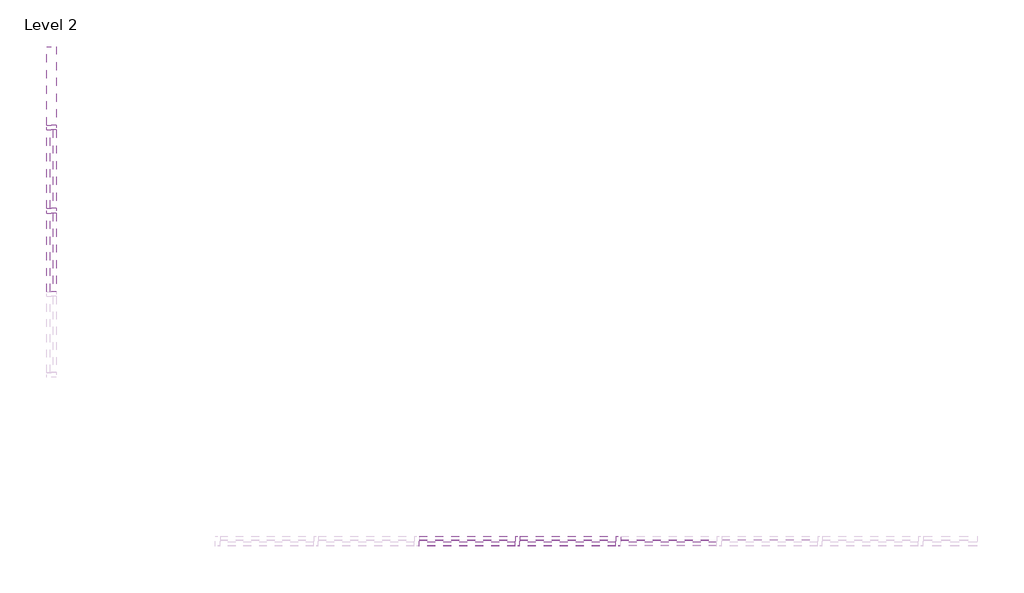
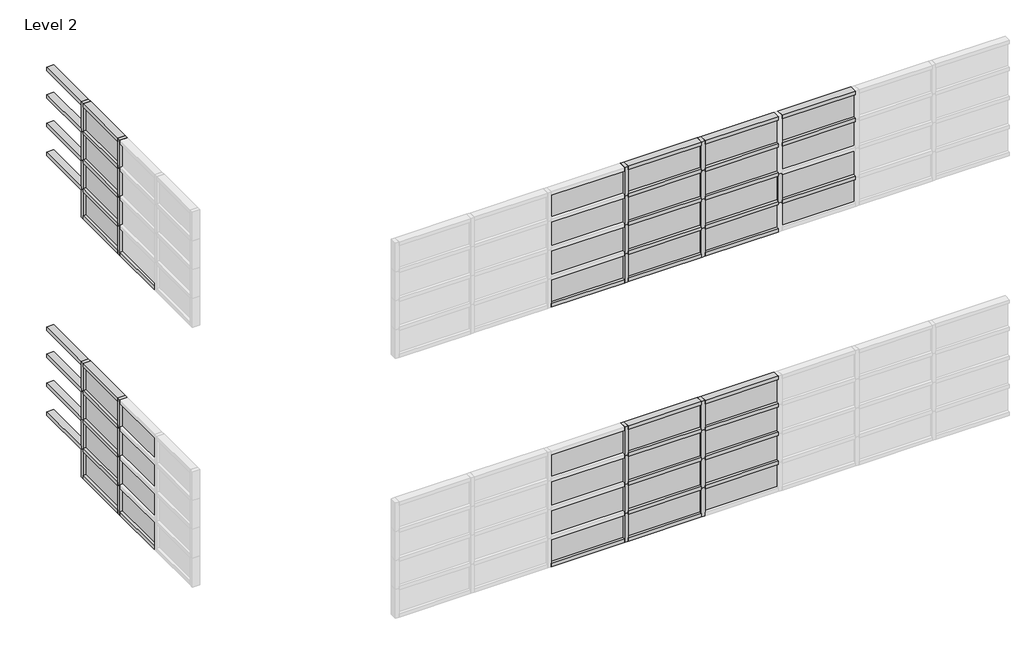
# One storey, part 2 of 6: 77 members, 40 plates.
"""IFC4 building model written with IfcOpenShell, lengths in millimetres."""

import ifcopenshell
import ifcopenshell.guid

model = None  # the IFC model being written
_history = None  # IfcOwnerHistory: only IFC2X3 demands one
_inside = {}  # id of a spatial element -> (the spatial element, [elements in it])
_under = {}  # id of a project, library or spatial element -> (it, [spatial elements below it])
_declared = {}  # id of a project -> (the project, [libraries it declares])
_typed = {}  # id of a type object -> (the type object, [elements of that type])
_made_of = {}  # id of a material, layer set ... -> (it, [elements and type objects made of it])


def new_model(schema):
    """Start an empty IFC model of exactly this schema.

    Asked for "IFC4X3", IfcOpenShell would pick the latest addendum, in which some entities
    have other attributes; the version numbers below select the first issue.
    IFC2X3 requires an IfcOwnerHistory on every rooted entity: one is made here for all.
    """
    global model, _history
    if schema == "IFC4X3":
        model = ifcopenshell.file(schema_version=(4, 3, 0, 0))
    else:
        model = ifcopenshell.file(schema=schema)
    _inside.clear()
    _under.clear()
    _declared.clear()
    _typed.clear()
    _made_of.clear()
    _history = None
    if model.schema == "IFC2X3":
        org = make("IfcOrganization", Name="unknown")
        user = make(
            "IfcPersonAndOrganization",
            ThePerson=make("IfcPerson", FamilyName="unknown"),
            TheOrganization=org,
        )
        app = make(
            "IfcApplication",
            ApplicationDeveloper=org,
            Version="unknown",
            ApplicationFullName="unknown",
            ApplicationIdentifier="unknown",
        )
        _history = make(
            "IfcOwnerHistory",
            OwningUser=user,
            OwningApplication=app,
            ChangeAction="ADDED",
            CreationDate=0,
        )
    return model


def make(cls, **values):
    """One entity of the class cls with the attributes given. An attribute that is None is left unset."""
    return model.create_entity(
        cls, **{name: value for name, value in values.items() if value is not None}
    )


def rooted(cls, **values):
    """An entity with a GlobalId (a new one), such as an element, a storey or a relation."""
    return make(cls, GlobalId=ifcopenshell.guid.new(), OwnerHistory=_history, **values)


def si_unit(unit_type, name, prefix=None):
    """IfcSIUnit, for example si_unit("LENGTHUNIT", "METRE", prefix="MILLI")."""
    return make("IfcSIUnit", UnitType=unit_type, Prefix=prefix, Name=name)


def assignment(units):
    """IfcUnitAssignment: the units of a project."""
    return None if units is None else make("IfcUnitAssignment", Units=units)


def point(xyz):
    """IfcCartesianPoint."""
    return None if xyz is None else make("IfcCartesianPoint", Coordinates=xyz)


def direction(xyz):
    """IfcDirection."""
    return None if xyz is None else make("IfcDirection", DirectionRatios=xyz)


def frame(location, z_axis=None, x_axis=None):
    """IfcAxis2Placement3D, a coordinate frame: its origin and axes. An axis left out is left unset."""
    return make(
        "IfcAxis2Placement3D",
        Location=point(location),
        Axis=direction(z_axis),
        RefDirection=direction(x_axis),
    )


def origin():
    """The frame at (0, 0, 0) with its axes left unset."""
    return frame((0.0, 0.0, 0.0))


def origin_with_axes():
    """The frame at (0, 0, 0) with the z axis (0, 0, 1) and the x axis (1, 0, 0) written out."""
    return frame((0.0, 0.0, 0.0), z_axis=(0.0, 0.0, 1.0), x_axis=(1.0, 0.0, 0.0))


def place(relative_to, where):
    """IfcLocalPlacement: puts the frame where relative to a parent placement (None: the world)."""
    return make(
        "IfcLocalPlacement", PlacementRelTo=relative_to, RelativePlacement=where
    )


def context(
    kind, dimensions, precision=None, world=None, true_north=None, identifier=None
):
    """IfcGeometricRepresentationContext, for example the 3D "Model" context."""
    return make(
        "IfcGeometricRepresentationContext",
        ContextIdentifier=identifier,
        ContextType=kind,
        CoordinateSpaceDimension=dimensions,
        Precision=precision,
        WorldCoordinateSystem=world,
        TrueNorth=true_north,
    )


def project(units=None, contexts=None):
    """IfcProject with its units and contexts."""
    return rooted(
        "IfcProject",
        Name="project",
        RepresentationContexts=contexts,
        UnitsInContext=assignment(units),
    )


def spatial(cls, under=None, at=None, **own):
    """A site, building, storey or space (cls), placed at a placement, below another one or the project."""
    s = rooted(cls, ObjectPlacement=at, **own)
    if under is not None:
        _under.setdefault(under.id(), (under, []))[1].append(s)
    return s


def polyline(points):
    """IfcPolyline through the points."""
    return make("IfcPolyline", Points=[point(p) for p in points])


def outline(outer, holes=None, kind="AREA"):
    """IfcArbitraryClosedProfileDef: a profile drawn as a closed curve; with holes, ...WithVoids."""
    if holes is None:
        return make("IfcArbitraryClosedProfileDef", ProfileType=kind, OuterCurve=outer)
    return make(
        "IfcArbitraryProfileDefWithVoids",
        ProfileType=kind,
        OuterCurve=outer,
        InnerCurves=holes,
    )


def extrude(swept, where, along, depth):
    """IfcExtrudedAreaSolid: the profile swept, set in the frame where, extruded along a direction by depth."""
    return make(
        "IfcExtrudedAreaSolid",
        SweptArea=swept,
        Position=where,
        ExtrudedDirection=direction(along),
        Depth=depth,
    )


def shape(context_of_items, identifier, shape_type, items):
    """IfcShapeRepresentation: the items that make up one representation, for example the "Body"."""
    return make(
        "IfcShapeRepresentation",
        ContextOfItems=context_of_items,
        RepresentationIdentifier=identifier,
        RepresentationType=shape_type,
        Items=items,
    )


def source(mapping_origin, context_of_items, identifier, shape_type, items):
    """IfcRepresentationMap: a shape defined once, which mapped items show again and again."""
    return make(
        "IfcRepresentationMap",
        MappingOrigin=mapping_origin,
        MappedRepresentation=shape(context_of_items, identifier, shape_type, items),
    )


def transform(
    local_origin,
    x_axis=None,
    y_axis=None,
    z_axis=None,
    scale=None,
    scale2=None,
    scale3=None,
    uniform=True,
):
    """IfcCartesianTransformationOperator3D, or its non-uniform kind. x_axis, y_axis, z_axis: its Axis1, 2, 3."""
    if uniform:
        return make(
            "IfcCartesianTransformationOperator3D",
            Axis1=direction(x_axis),
            Axis2=direction(y_axis),
            LocalOrigin=point(local_origin),
            Scale=scale,
            Axis3=direction(z_axis),
        )
    return make(
        "IfcCartesianTransformationOperator3DnonUniform",
        Axis1=direction(x_axis),
        Axis2=direction(y_axis),
        LocalOrigin=point(local_origin),
        Scale=scale,
        Axis3=direction(z_axis),
        Scale2=scale2,
        Scale3=scale3,
    )


def mapped(mapping_source, mapping_target):
    """IfcMappedItem: shows the shape of a source again, moved by a transform."""
    return make(
        "IfcMappedItem", MappingSource=mapping_source, MappingTarget=mapping_target
    )


def made_of(thing, what):
    """Note that an element or type object is made of a material, layer set ...; save() writes the relation."""
    if what is not None:
        _made_of.setdefault(what.id(), (what, []))[1].append(thing)
    return thing


def element(
    cls,
    number,
    at=None,
    inside=None,
    cuts=None,
    type_object=None,
    material=None,
    context=None,
    identifier="Body",
    shape_type=None,
    held_by="IfcProductDefinitionShape",
    body=None,
    shapes=None,
    **own,
):
    """One element of the class cls, such as IfcWall. Its Tag is "e" and its number.

    at: its placement. inside: the storey or other place that contains it. cuts: it is an
    opening in that element (IfcRelVoidsElement). A single representation is given by context,
    identifier, shape_type and body (its items); several are given by shapes. held_by: the class
    of the entity that holds the representations. save() writes the other relations.
    """
    e = rooted(cls, Tag="e%d" % number, ObjectPlacement=at, **own)
    if body is not None:
        shapes = [shape(context, identifier, shape_type, body)]
    if shapes is not None:
        e.Representation = make(held_by, Representations=shapes)
    if inside is not None:
        _inside.setdefault(inside.id(), (inside, []))[1].append(e)
    if cuts is not None:
        rooted(
            "IfcRelVoidsElement", RelatingBuildingElement=cuts, RelatedOpeningElement=e
        )
    if type_object is not None:
        _typed.setdefault(type_object.id(), (type_object, []))[1].append(e)
    return made_of(e, material)


def aggregate(whole, parts):
    """IfcRelAggregates: a whole, such as a stair, and the parts it consists of."""
    return rooted("IfcRelAggregates", RelatingObject=whole, RelatedObjects=parts)


def save(model, path):
    """Write the relations noted so far, then the file.

    IfcRelAggregates (storeys below a building ...), IfcRelContainedInSpatialStructure (elements
    in a storey), IfcRelDefinesByType, IfcRelAssociatesMaterial and IfcRelDeclares: one each for
    every whole, place, type object, material and project.
    """
    for whole, parts in _under.values():
        aggregate(whole, parts)
    for where, things in _inside.values():
        rooted(
            "IfcRelContainedInSpatialStructure",
            RelatedElements=things,
            RelatingStructure=where,
        )
    for kind, things in _typed.values():
        rooted("IfcRelDefinesByType", RelatedObjects=things, RelatingType=kind)
    for what, things in _made_of.values():
        rooted("IfcRelAssociatesMaterial", RelatedObjects=things, RelatingMaterial=what)
    for by, libraries in _declared.values():
        rooted("IfcRelDeclares", RelatingContext=by, RelatedDefinitions=libraries)
    model.write(path)


def rechteckiger_pfosten_6_x_12_57ab8b33(model_context):
    return source(origin(), model_context, "Body", "SweptSolid", [
        extrude(outline(polyline([(30.0, 60.0), (30.0, -60.0), (-30.0, -60.0), (-30.0, 60.0), (30.0, 60.0)])), frame((0.0, 0.0, -1200.625), z_axis=(0.0, 0.0, 1.0), x_axis=(1.0, 0.0, 0.0)), (0.0, 0.0, 1.0), 1200.625),
    ])


def rechteckiger_pfosten_6_x_12_1631a10d(model_context):
    return source(origin(), model_context, "Body", "SweptSolid", [
        extrude(outline(polyline([(0.0, 60.0), (0.0, -60.0), (-60.0, -60.0), (-60.0, 60.0), (0.0, 60.0)])), frame((0.0, 0.0, -1200.625), z_axis=(0.0, 0.0, 1.0), x_axis=(1.0, 0.0, 0.0)), (0.0, 0.0, 1.0), 1200.625),
    ])


def rechteckiger_pfosten_6_x_12_57de19b3(model_context):
    return source(origin(), model_context, "Body", "SweptSolid", [
        extrude(outline(polyline([(30.0, 60.0), (30.0, -60.0), (-30.0, -60.0), (-30.0, 60.0), (30.0, 60.0)])), frame((0.0, 0.0, -500.0), z_axis=(0.0, 0.0, 1.0), x_axis=(1.0, 0.0, 0.0)), (0.0, 0.0, 1.0), 500.0),
    ])


def rechteckiger_pfosten_6_x_12_e2c161d7(model_context):
    return source(origin(), model_context, "Body", "SweptSolid", [
        extrude(outline(polyline([(0.0, 60.0), (0.0, -60.0), (-60.0, -60.0), (-60.0, 60.0), (0.0, 60.0)])), frame((0.0, 0.0, -981.6674959), z_axis=(0.0, 0.0, 1.0), x_axis=(1.0, 0.0, 0.0)), (0.0, 0.0, 1.0), 981.6674959),
    ])


def rechteckiger_pfosten_6_x_12_84d72c81(model_context):
    return source(origin(), model_context, "Body", "SweptSolid", [
        extrude(outline(polyline([(30.0, 60.0), (30.0, -60.0), (-30.0, -60.0), (-30.0, 60.0), (30.0, 60.0)])), frame((0.0, 0.0, -981.6674959), z_axis=(0.0, 0.0, 1.0), x_axis=(1.0, 0.0, 0.0)), (0.0, 0.0, 1.0), 981.6674959),
    ])


def systemelement_verglasung_12eb7eeb(model_context):
    return source(origin(), model_context, "Body", "SweptSolid", [
        extrude(outline(polyline([(600.3125, -15.0), (-600.3125, -15.0), (-600.3125, 15.0), (600.3125, 15.0), (600.3125, -15.0)])), origin_with_axes(), (0.0, 0.0, 1.0), 410.0),
    ])


def systemelement_verglasung_6db45de5(model_context):
    return source(origin(), model_context, "Body", "SweptSolid", [
        extrude(outline(polyline([(600.3125, -15.0), (-600.3125, -15.0), (-600.3125, 15.0), (600.3125, 15.0), (600.3125, -15.0)])), origin_with_axes(), (0.0, 0.0, 1.0), 440.0),
    ])


def systemelement_verglasung_7b548d29(model_context):
    return source(origin(), model_context, "Body", "SweptSolid", [
        extrude(outline(polyline([(490.8337479, -15.0), (-490.8337479, -15.0), (-490.8337479, 15.0), (490.8337479, 15.0), (490.8337479, -15.0)])), origin_with_axes(), (0.0, 0.0, 1.0), 410.0),
    ])


def systemelement_verglasung_3de98bbc(model_context):
    return source(origin(), model_context, "Body", "SweptSolid", [
        extrude(outline(polyline([(490.8337479, -15.0), (-490.8337479, -15.0), (-490.8337479, 15.0), (490.8337479, 15.0), (490.8337479, -15.0)])), origin_with_axes(), (0.0, 0.0, 1.0), 440.0),
    ])


model = new_model("IFC4")

# Units and contexts
model_context = context("Model", 3, world=origin())
ifc_project = project(units=[si_unit("LENGTHUNIT", "METRE", prefix="MILLI")], contexts=[model_context])

# Site, building, storey
site = spatial("IfcSite", under=ifc_project)
building = spatial("IfcBuilding", under=site)
storey = spatial("IfcBuildingStorey", under=building, Name="Level 2", Elevation=4000.0)

# Members
placement = place(None, origin())
rechteckiger_pfosten_6_x_12_shape = rechteckiger_pfosten_6_x_12_57ab8b33(model_context)
element("IfcMember", 1, ObjectType="Rechteckiger Pfosten : 6 x 12", at=placement, inside=storey, context=model_context, shape_type="MappedRepresentation", body=[
    mapped(rechteckiger_pfosten_6_x_12_shape, transform((-15214.3937212, -5607.2112506, 11000.0), x_axis=(0.0, 0.0, 1.0), y_axis=(0.0, 1.0, 0.0), z_axis=(-1.0, 0.0, 0.0))),
])
element("IfcMember", 2, ObjectType="Rechteckiger Pfosten : 6 x 12", at=placement, inside=storey, context=model_context, shape_type="MappedRepresentation", body=[
    mapped(rechteckiger_pfosten_6_x_12_shape, transform((-12693.1437212, -5607.2112506, 11000.0), x_axis=(0.0, 0.0, 1.0), y_axis=(0.0, 1.0, 0.0), z_axis=(-1.0, 0.0, 0.0))),
])
element("IfcMember", 3, ObjectType="Rechteckiger Pfosten : 6 x 12", at=placement, inside=storey, context=model_context, shape_type="MappedRepresentation", body=[
    mapped(rechteckiger_pfosten_6_x_12_shape, transform((-13953.7687212, -5607.2112506, 11000.0), x_axis=(0.0, 0.0, 1.0), y_axis=(0.0, 1.0, 0.0), z_axis=(-1.0, 0.0, 0.0))),
])
element("IfcMember", 4, ObjectType="Rechteckiger Pfosten : 6 x 12", at=placement, inside=storey, context=model_context, shape_type="MappedRepresentation", body=[
    mapped(rechteckiger_pfosten_6_x_12_shape, transform((-13953.7687212, -5607.2112506, 11500.0), x_axis=(0.0, 0.0, 1.0), y_axis=(0.0, 1.0, 0.0), z_axis=(-1.0, 0.0, 0.0))),
])
element("IfcMember", 5, ObjectType="Rechteckiger Pfosten : 6 x 12", at=placement, inside=storey, context=model_context, shape_type="MappedRepresentation", body=[
    mapped(rechteckiger_pfosten_6_x_12_shape, transform((-15214.3937212, -5607.2112506, 12000.0), x_axis=(0.0, 0.0, 1.0), y_axis=(0.0, 1.0, 0.0), z_axis=(-1.0, 0.0, 0.0))),
])
element("IfcMember", 6, ObjectType="Rechteckiger Pfosten : 6 x 12", at=placement, inside=storey, context=model_context, shape_type="MappedRepresentation", body=[
    mapped(rechteckiger_pfosten_6_x_12_shape, transform((-12693.1437212, -5607.2112506, 12000.0), x_axis=(0.0, 0.0, 1.0), y_axis=(0.0, 1.0, 0.0), z_axis=(-1.0, 0.0, 0.0))),
])
element("IfcMember", 7, ObjectType="Rechteckiger Pfosten : 6 x 12", at=placement, inside=storey, context=model_context, shape_type="MappedRepresentation", body=[
    mapped(rechteckiger_pfosten_6_x_12_shape, transform((-13953.7687212, -5607.2112506, 12000.0), x_axis=(0.0, 0.0, 1.0), y_axis=(0.0, 1.0, 0.0), z_axis=(-1.0, 0.0, 0.0))),
])
element("IfcMember", 8, ObjectType="Rechteckiger Pfosten : 6 x 12", at=placement, inside=storey, context=model_context, shape_type="MappedRepresentation", body=[
    mapped(rechteckiger_pfosten_6_x_12_shape, transform((-15214.3937212, -5607.2112506, 11500.0), x_axis=(0.0, 0.0, 1.0), y_axis=(0.0, 1.0, 0.0), z_axis=(-1.0, 0.0, 0.0))),
])
element("IfcMember", 9, ObjectType="Rechteckiger Pfosten : 6 x 12", at=placement, inside=storey, context=model_context, shape_type="MappedRepresentation", body=[
    mapped(rechteckiger_pfosten_6_x_12_shape, transform((-15214.3937212, -5607.2112506, 6500.0), x_axis=(0.0, 0.0, 1.0), y_axis=(0.0, 1.0, 0.0), z_axis=(-1.0, 0.0, 0.0))),
])
element("IfcMember", 10, ObjectType="Rechteckiger Pfosten : 6 x 12", at=placement, inside=storey, context=model_context, shape_type="MappedRepresentation", body=[
    mapped(rechteckiger_pfosten_6_x_12_shape, transform((-13953.7687212, -5607.2112506, 6500.0), x_axis=(0.0, 0.0, 1.0), y_axis=(0.0, 1.0, 0.0), z_axis=(-1.0, 0.0, 0.0))),
])
element("IfcMember", 11, ObjectType="Rechteckiger Pfosten : 6 x 12", at=placement, inside=storey, context=model_context, shape_type="MappedRepresentation", body=[
    mapped(rechteckiger_pfosten_6_x_12_shape, transform((-13953.7687212, -5607.2112506, 7000.0), x_axis=(0.0, 0.0, 1.0), y_axis=(0.0, 1.0, 0.0), z_axis=(-1.0, 0.0, 0.0))),
])
element("IfcMember", 12, ObjectType="Rechteckiger Pfosten : 6 x 12", at=placement, inside=storey, context=model_context, shape_type="MappedRepresentation", body=[
    mapped(rechteckiger_pfosten_6_x_12_shape, transform((-15214.3937212, -5607.2112506, 7500.0), x_axis=(0.0, 0.0, 1.0), y_axis=(0.0, 1.0, 0.0), z_axis=(-1.0, 0.0, 0.0))),
])
element("IfcMember", 13, ObjectType="Rechteckiger Pfosten : 6 x 12", at=placement, inside=storey, context=model_context, shape_type="MappedRepresentation", body=[
    mapped(rechteckiger_pfosten_6_x_12_shape, transform((-13953.7687212, -5607.2112506, 7500.0), x_axis=(0.0, 0.0, 1.0), y_axis=(0.0, 1.0, 0.0), z_axis=(-1.0, 0.0, 0.0))),
])
element("IfcMember", 14, ObjectType="Rechteckiger Pfosten : 6 x 12", at=placement, inside=storey, context=model_context, shape_type="MappedRepresentation", body=[
    mapped(rechteckiger_pfosten_6_x_12_shape, transform((-15214.3937212, -5607.2112506, 7000.0), x_axis=(0.0, 0.0, 1.0), y_axis=(0.0, 1.0, 0.0), z_axis=(-1.0, 0.0, 0.0))),
])
rechteckiger_pfosten_6_x_12_2_shape = rechteckiger_pfosten_6_x_12_1631a10d(model_context)
element("IfcMember", 15, ObjectType="Rechteckiger Pfosten : 6 x 12", at=placement, inside=storey, context=model_context, shape_type="MappedRepresentation", body=[
    mapped(rechteckiger_pfosten_6_x_12_2_shape, transform((-14013.7687212, -5607.2112506, 10500.0), x_axis=(0.0, 0.0, -1.0), y_axis=(0.0, 1.0, 0.0), z_axis=(1.0, 0.0, 0.0))),
])
element("IfcMember", 16, ObjectType="Rechteckiger Pfosten : 6 x 12", at=placement, inside=storey, context=model_context, shape_type="MappedRepresentation", body=[
    mapped(rechteckiger_pfosten_6_x_12_2_shape, transform((-15274.3937212, -5607.2112506, 10500.0), x_axis=(0.0, 0.0, -1.0), y_axis=(0.0, 1.0, 0.0), z_axis=(1.0, 0.0, 0.0))),
])
element("IfcMember", 17, ObjectType="Rechteckiger Pfosten : 6 x 12", at=placement, inside=storey, context=model_context, shape_type="MappedRepresentation", body=[
    mapped(rechteckiger_pfosten_6_x_12_2_shape, transform((-12753.1437212, -5607.2112506, 10500.0), x_axis=(0.0, 0.0, -1.0), y_axis=(0.0, 1.0, 0.0), z_axis=(1.0, 0.0, 0.0))),
])
element("IfcMember", 18, ObjectType="Rechteckiger Pfosten : 6 x 12", at=placement, inside=storey, context=model_context, shape_type="MappedRepresentation", body=[
    mapped(rechteckiger_pfosten_6_x_12_2_shape, transform((-14013.7687212, -5607.2112506, 6000.0), x_axis=(0.0, 0.0, -1.0), y_axis=(0.0, 1.0, 0.0), z_axis=(1.0, 0.0, 0.0))),
])
element("IfcMember", 19, ObjectType="Rechteckiger Pfosten : 6 x 12", at=placement, inside=storey, context=model_context, shape_type="MappedRepresentation", body=[
    mapped(rechteckiger_pfosten_6_x_12_2_shape, transform((-15274.3937212, -5607.2112506, 6000.0), x_axis=(0.0, 0.0, -1.0), y_axis=(0.0, 1.0, 0.0), z_axis=(1.0, 0.0, 0.0))),
])
rechteckiger_pfosten_6_x_12_3_shape = rechteckiger_pfosten_6_x_12_57de19b3(model_context)
element("IfcMember", 20, ObjectType="Rechteckiger Pfosten : 6 x 12", at=placement, inside=storey, context=model_context, shape_type="MappedRepresentation", body=[
    mapped(rechteckiger_pfosten_6_x_12_3_shape, transform((-13983.7687212, -5607.2112506, 11000.0), x_axis=(-1.0, 0.0, 0.0), y_axis=(0.0, 1.0, 0.0), z_axis=(0.0, 0.0, -1.0))),
])
element("IfcMember", 21, ObjectType="Rechteckiger Pfosten : 6 x 12", at=placement, inside=storey, context=model_context, shape_type="MappedRepresentation", body=[
    mapped(rechteckiger_pfosten_6_x_12_3_shape, transform((-15244.3937212, -5607.2112506, 11000.0), x_axis=(-1.0, 0.0, 0.0), y_axis=(0.0, 1.0, 0.0), z_axis=(0.0, 0.0, -1.0))),
])
element("IfcMember", 22, ObjectType="Rechteckiger Pfosten : 6 x 12", at=placement, inside=storey, context=model_context, shape_type="MappedRepresentation", body=[
    mapped(rechteckiger_pfosten_6_x_12_3_shape, transform((-13983.7687212, -5607.2112506, 11500.0), x_axis=(-1.0, 0.0, 0.0), y_axis=(0.0, 1.0, 0.0), z_axis=(0.0, 0.0, -1.0))),
])
element("IfcMember", 23, ObjectType="Rechteckiger Pfosten : 6 x 12", at=placement, inside=storey, context=model_context, shape_type="MappedRepresentation", body=[
    mapped(rechteckiger_pfosten_6_x_12_3_shape, transform((-15244.3937212, -5607.2112506, 11500.0), x_axis=(-1.0, 0.0, 0.0), y_axis=(0.0, 1.0, 0.0), z_axis=(0.0, 0.0, -1.0))),
])
element("IfcMember", 24, ObjectType="Rechteckiger Pfosten : 6 x 12", at=placement, inside=storey, context=model_context, shape_type="MappedRepresentation", body=[
    mapped(rechteckiger_pfosten_6_x_12_3_shape, transform((-12723.1437212, -5607.2112506, 11000.0), x_axis=(-1.0, 0.0, 0.0), y_axis=(0.0, 1.0, 0.0), z_axis=(0.0, 0.0, -1.0))),
])
element("IfcMember", 25, ObjectType="Rechteckiger Pfosten : 6 x 12", at=placement, inside=storey, context=model_context, shape_type="MappedRepresentation", body=[
    mapped(rechteckiger_pfosten_6_x_12_3_shape, transform((-13983.7687212, -5607.2112506, 6500.0), x_axis=(-1.0, 0.0, 0.0), y_axis=(0.0, 1.0, 0.0), z_axis=(0.0, 0.0, -1.0))),
])
element("IfcMember", 26, ObjectType="Rechteckiger Pfosten : 6 x 12", at=placement, inside=storey, context=model_context, shape_type="MappedRepresentation", body=[
    mapped(rechteckiger_pfosten_6_x_12_3_shape, transform((-15244.3937212, -5607.2112506, 6500.0), x_axis=(-1.0, 0.0, 0.0), y_axis=(0.0, 1.0, 0.0), z_axis=(0.0, 0.0, -1.0))),
])
element("IfcMember", 27, ObjectType="Rechteckiger Pfosten : 6 x 12", at=placement, inside=storey, context=model_context, shape_type="MappedRepresentation", body=[
    mapped(rechteckiger_pfosten_6_x_12_3_shape, transform((-13983.7687212, -5607.2112506, 7000.0), x_axis=(-1.0, 0.0, 0.0), y_axis=(0.0, 1.0, 0.0), z_axis=(0.0, 0.0, -1.0))),
])
element("IfcMember", 28, ObjectType="Rechteckiger Pfosten : 6 x 12", at=placement, inside=storey, context=model_context, shape_type="MappedRepresentation", body=[
    mapped(rechteckiger_pfosten_6_x_12_3_shape, transform((-15244.3937212, -5607.2112506, 7000.0), x_axis=(-1.0, 0.0, 0.0), y_axis=(0.0, 1.0, 0.0), z_axis=(0.0, 0.0, -1.0))),
])
element("IfcMember", 29, ObjectType="Rechteckiger Pfosten : 6 x 12", at=placement, inside=storey, context=model_context, shape_type="MappedRepresentation", body=[
    mapped(rechteckiger_pfosten_6_x_12_3_shape, transform((-13983.7687212, -5607.2112506, 10500.0), x_axis=(-1.0, 0.0, 0.0), y_axis=(0.0, 1.0, 0.0), z_axis=(0.0, 0.0, -1.0))),
])
element("IfcMember", 30, ObjectType="Rechteckiger Pfosten : 6 x 12", at=placement, inside=storey, context=model_context, shape_type="MappedRepresentation", body=[
    mapped(rechteckiger_pfosten_6_x_12_3_shape, transform((-15244.3937212, -5607.2112506, 10500.0), x_axis=(-1.0, 0.0, 0.0), y_axis=(0.0, 1.0, 0.0), z_axis=(0.0, 0.0, -1.0))),
])
element("IfcMember", 31, ObjectType="Rechteckiger Pfosten : 6 x 12", at=placement, inside=storey, context=model_context, shape_type="MappedRepresentation", body=[
    mapped(rechteckiger_pfosten_6_x_12_3_shape, transform((-13983.7687212, -5607.2112506, 6000.0), x_axis=(-1.0, 0.0, 0.0), y_axis=(0.0, 1.0, 0.0), z_axis=(0.0, 0.0, -1.0))),
])
element("IfcMember", 32, ObjectType="Rechteckiger Pfosten : 6 x 12", at=placement, inside=storey, context=model_context, shape_type="MappedRepresentation", body=[
    mapped(rechteckiger_pfosten_6_x_12_3_shape, transform((-15244.3937212, -5607.2112506, 6000.0), x_axis=(-1.0, 0.0, 0.0), y_axis=(0.0, 1.0, 0.0), z_axis=(0.0, 0.0, -1.0))),
])
element("IfcMember", 33, ObjectType="Rechteckiger Pfosten : 6 x 12", at=placement, inside=storey, context=model_context, shape_type="MappedRepresentation", body=[
    mapped(rechteckiger_pfosten_6_x_12_3_shape, transform((-13983.7687212, -5607.2112506, 12000.0), x_axis=(-1.0, 0.0, 0.0), y_axis=(0.0, 1.0, 0.0), z_axis=(0.0, 0.0, -1.0))),
])
element("IfcMember", 34, ObjectType="Rechteckiger Pfosten : 6 x 12", at=placement, inside=storey, context=model_context, shape_type="MappedRepresentation", body=[
    mapped(rechteckiger_pfosten_6_x_12_3_shape, transform((-15244.3937212, -5607.2112506, 12000.0), x_axis=(-1.0, 0.0, 0.0), y_axis=(0.0, 1.0, 0.0), z_axis=(0.0, 0.0, -1.0))),
])
element("IfcMember", 35, ObjectType="Rechteckiger Pfosten : 6 x 12", at=placement, inside=storey, context=model_context, shape_type="MappedRepresentation", body=[
    mapped(rechteckiger_pfosten_6_x_12_3_shape, transform((-13983.7687212, -5607.2112506, 7500.0), x_axis=(-1.0, 0.0, 0.0), y_axis=(0.0, 1.0, 0.0), z_axis=(0.0, 0.0, -1.0))),
])
element("IfcMember", 36, ObjectType="Rechteckiger Pfosten : 6 x 12", at=placement, inside=storey, context=model_context, shape_type="MappedRepresentation", body=[
    mapped(rechteckiger_pfosten_6_x_12_3_shape, transform((-15244.3937212, -5607.2112506, 7500.0), x_axis=(-1.0, 0.0, 0.0), y_axis=(0.0, 1.0, 0.0), z_axis=(0.0, 0.0, -1.0))),
])
element("IfcMember", 37, ObjectType="Rechteckiger Pfosten : 6 x 12", at=placement, inside=storey, context=model_context, shape_type="MappedRepresentation", body=[
    mapped(rechteckiger_pfosten_6_x_12_2_shape, transform((-13953.7687212, -5607.2112506, 12500.0), x_axis=(0.0, 0.0, 1.0), y_axis=(0.0, 1.0, 0.0), z_axis=(-1.0, 0.0, 0.0))),
])
element("IfcMember", 38, ObjectType="Rechteckiger Pfosten : 6 x 12", at=placement, inside=storey, context=model_context, shape_type="MappedRepresentation", body=[
    mapped(rechteckiger_pfosten_6_x_12_2_shape, transform((-15214.3937212, -5607.2112506, 12500.0), x_axis=(0.0, 0.0, 1.0), y_axis=(0.0, 1.0, 0.0), z_axis=(-1.0, 0.0, 0.0))),
])
element("IfcMember", 39, ObjectType="Rechteckiger Pfosten : 6 x 12", at=placement, inside=storey, context=model_context, shape_type="MappedRepresentation", body=[
    mapped(rechteckiger_pfosten_6_x_12_2_shape, transform((-12693.1437212, -5607.2112506, 12500.0), x_axis=(0.0, 0.0, 1.0), y_axis=(0.0, 1.0, 0.0), z_axis=(-1.0, 0.0, 0.0))),
])
element("IfcMember", 40, ObjectType="Rechteckiger Pfosten : 6 x 12", at=placement, inside=storey, context=model_context, shape_type="MappedRepresentation", body=[
    mapped(rechteckiger_pfosten_6_x_12_2_shape, transform((-13953.7687212, -5607.2112506, 8000.0), x_axis=(0.0, 0.0, 1.0), y_axis=(0.0, 1.0, 0.0), z_axis=(-1.0, 0.0, 0.0))),
])
element("IfcMember", 41, ObjectType="Rechteckiger Pfosten : 6 x 12", at=placement, inside=storey, context=model_context, shape_type="MappedRepresentation", body=[
    mapped(rechteckiger_pfosten_6_x_12_2_shape, transform((-15214.3937212, -5607.2112506, 8000.0), x_axis=(0.0, 0.0, 1.0), y_axis=(0.0, 1.0, 0.0), z_axis=(-1.0, 0.0, 0.0))),
])
rechteckiger_pfosten_6_x_12_4_shape = rechteckiger_pfosten_6_x_12_e2c161d7(model_context)
element("IfcMember", 42, ObjectType="Rechteckiger Pfosten : 6 x 12", at=placement, inside=storey, context=model_context, shape_type="MappedRepresentation", body=[
    mapped(rechteckiger_pfosten_6_x_12_4_shape, transform((-21076.2514408, -462.2260433, 10500.0), x_axis=(0.0, 0.0, -1.0), y_axis=(-1.0, 0.0, 0.0), z_axis=(0.0, 1.0, 0.0))),
])
element("IfcMember", 43, ObjectType="Rechteckiger Pfosten : 6 x 12", at=placement, inside=storey, context=model_context, shape_type="MappedRepresentation", body=[
    mapped(rechteckiger_pfosten_6_x_12_4_shape, transform((-21076.2514408, -1503.8935392, 10500.0), x_axis=(0.0, 0.0, -1.0), y_axis=(-1.0, 0.0, 0.0), z_axis=(0.0, 1.0, 0.0))),
])
element("IfcMember", 44, ObjectType="Rechteckiger Pfosten : 6 x 12", at=placement, inside=storey, context=model_context, shape_type="MappedRepresentation", body=[
    mapped(rechteckiger_pfosten_6_x_12_4_shape, transform((-21076.2514408, -462.2260433, 6000.0), x_axis=(0.0, 0.0, -1.0), y_axis=(-1.0, 0.0, 0.0), z_axis=(0.0, 1.0, 0.0))),
])
element("IfcMember", 45, ObjectType="Rechteckiger Pfosten : 6 x 12", at=placement, inside=storey, context=model_context, shape_type="MappedRepresentation", body=[
    mapped(rechteckiger_pfosten_6_x_12_4_shape, transform((-21076.2514408, -1503.8935392, 6000.0), x_axis=(0.0, 0.0, -1.0), y_axis=(-1.0, 0.0, 0.0), z_axis=(0.0, 1.0, 0.0))),
])
rechteckiger_pfosten_6_x_12_5_shape = rechteckiger_pfosten_6_x_12_84d72c81(model_context)
element("IfcMember", 46, ObjectType="Rechteckiger Pfosten : 6 x 12", at=placement, inside=storey, context=model_context, shape_type="MappedRepresentation", body=[
    mapped(rechteckiger_pfosten_6_x_12_5_shape, transform((-21076.2514408, -402.2260433, 11000.0), x_axis=(0.0, 0.0, 1.0), y_axis=(-1.0, 0.0, 0.0), z_axis=(0.0, -1.0, 0.0))),
])
element("IfcMember", 47, ObjectType="Rechteckiger Pfosten : 6 x 12", at=placement, inside=storey, context=model_context, shape_type="MappedRepresentation", body=[
    mapped(rechteckiger_pfosten_6_x_12_5_shape, transform((-21076.2514408, -1443.8935392, 11000.0), x_axis=(0.0, 0.0, 1.0), y_axis=(-1.0, 0.0, 0.0), z_axis=(0.0, -1.0, 0.0))),
])
element("IfcMember", 48, ObjectType="Rechteckiger Pfosten : 6 x 12", at=placement, inside=storey, context=model_context, shape_type="MappedRepresentation", body=[
    mapped(rechteckiger_pfosten_6_x_12_5_shape, transform((-21076.2514408, -402.2260433, 12000.0), x_axis=(0.0, 0.0, 1.0), y_axis=(-1.0, 0.0, 0.0), z_axis=(0.0, -1.0, 0.0))),
])
element("IfcMember", 49, ObjectType="Rechteckiger Pfosten : 6 x 12", at=placement, inside=storey, context=model_context, shape_type="MappedRepresentation", body=[
    mapped(rechteckiger_pfosten_6_x_12_5_shape, transform((-21076.2514408, -1443.8935392, 12000.0), x_axis=(0.0, 0.0, 1.0), y_axis=(-1.0, 0.0, 0.0), z_axis=(0.0, -1.0, 0.0))),
])
element("IfcMember", 50, ObjectType="Rechteckiger Pfosten : 6 x 12", at=placement, inside=storey, context=model_context, shape_type="MappedRepresentation", body=[
    mapped(rechteckiger_pfosten_6_x_12_5_shape, transform((-21076.2514408, -402.2260433, 11500.0), x_axis=(0.0, 0.0, 1.0), y_axis=(-1.0, 0.0, 0.0), z_axis=(0.0, -1.0, 0.0))),
])
element("IfcMember", 51, ObjectType="Rechteckiger Pfosten : 6 x 12", at=placement, inside=storey, context=model_context, shape_type="MappedRepresentation", body=[
    mapped(rechteckiger_pfosten_6_x_12_5_shape, transform((-21076.2514408, -1443.8935392, 11500.0), x_axis=(0.0, 0.0, 1.0), y_axis=(-1.0, 0.0, 0.0), z_axis=(0.0, -1.0, 0.0))),
])
element("IfcMember", 52, ObjectType="Rechteckiger Pfosten : 6 x 12", at=placement, inside=storey, context=model_context, shape_type="MappedRepresentation", body=[
    mapped(rechteckiger_pfosten_6_x_12_5_shape, transform((-21076.2514408, -402.2260433, 6500.0), x_axis=(0.0, 0.0, 1.0), y_axis=(-1.0, 0.0, 0.0), z_axis=(0.0, -1.0, 0.0))),
])
element("IfcMember", 53, ObjectType="Rechteckiger Pfosten : 6 x 12", at=placement, inside=storey, context=model_context, shape_type="MappedRepresentation", body=[
    mapped(rechteckiger_pfosten_6_x_12_5_shape, transform((-21076.2514408, -1443.8935392, 6500.0), x_axis=(0.0, 0.0, 1.0), y_axis=(-1.0, 0.0, 0.0), z_axis=(0.0, -1.0, 0.0))),
])
element("IfcMember", 54, ObjectType="Rechteckiger Pfosten : 6 x 12", at=placement, inside=storey, context=model_context, shape_type="MappedRepresentation", body=[
    mapped(rechteckiger_pfosten_6_x_12_5_shape, transform((-21076.2514408, -402.2260433, 7500.0), x_axis=(0.0, 0.0, 1.0), y_axis=(-1.0, 0.0, 0.0), z_axis=(0.0, -1.0, 0.0))),
])
element("IfcMember", 55, ObjectType="Rechteckiger Pfosten : 6 x 12", at=placement, inside=storey, context=model_context, shape_type="MappedRepresentation", body=[
    mapped(rechteckiger_pfosten_6_x_12_5_shape, transform((-21076.2514408, -1443.8935392, 7500.0), x_axis=(0.0, 0.0, 1.0), y_axis=(-1.0, 0.0, 0.0), z_axis=(0.0, -1.0, 0.0))),
])
element("IfcMember", 56, ObjectType="Rechteckiger Pfosten : 6 x 12", at=placement, inside=storey, context=model_context, shape_type="MappedRepresentation", body=[
    mapped(rechteckiger_pfosten_6_x_12_5_shape, transform((-21076.2514408, -402.2260433, 7000.0), x_axis=(0.0, 0.0, 1.0), y_axis=(-1.0, 0.0, 0.0), z_axis=(0.0, -1.0, 0.0))),
])
element("IfcMember", 57, ObjectType="Rechteckiger Pfosten : 6 x 12", at=placement, inside=storey, context=model_context, shape_type="MappedRepresentation", body=[
    mapped(rechteckiger_pfosten_6_x_12_5_shape, transform((-21076.2514408, -1443.8935392, 7000.0), x_axis=(0.0, 0.0, 1.0), y_axis=(-1.0, 0.0, 0.0), z_axis=(0.0, -1.0, 0.0))),
])
element("IfcMember", 58, ObjectType="Rechteckiger Pfosten : 6 x 12", at=placement, inside=storey, context=model_context, shape_type="MappedRepresentation", body=[
    mapped(rechteckiger_pfosten_6_x_12_3_shape, transform((-21076.2514408, -1473.8935392, 11000.0), x_axis=(0.0, -1.0, 0.0), y_axis=(-1.0, 0.0, 0.0), z_axis=(0.0, 0.0, -1.0))),
])
element("IfcMember", 59, ObjectType="Rechteckiger Pfosten : 6 x 12", at=placement, inside=storey, context=model_context, shape_type="MappedRepresentation", body=[
    mapped(rechteckiger_pfosten_6_x_12_3_shape, transform((-21076.2514408, -1473.8935392, 11500.0), x_axis=(0.0, -1.0, 0.0), y_axis=(-1.0, 0.0, 0.0), z_axis=(0.0, 0.0, -1.0))),
])
element("IfcMember", 60, ObjectType="Rechteckiger Pfosten : 6 x 12", at=placement, inside=storey, context=model_context, shape_type="MappedRepresentation", body=[
    mapped(rechteckiger_pfosten_6_x_12_3_shape, transform((-21076.2514408, -432.2260433, 11000.0), x_axis=(0.0, -1.0, 0.0), y_axis=(-1.0, 0.0, 0.0), z_axis=(0.0, 0.0, -1.0))),
])
element("IfcMember", 61, ObjectType="Rechteckiger Pfosten : 6 x 12", at=placement, inside=storey, context=model_context, shape_type="MappedRepresentation", body=[
    mapped(rechteckiger_pfosten_6_x_12_3_shape, transform((-21076.2514408, -432.2260433, 11500.0), x_axis=(0.0, -1.0, 0.0), y_axis=(-1.0, 0.0, 0.0), z_axis=(0.0, 0.0, -1.0))),
])
element("IfcMember", 62, ObjectType="Rechteckiger Pfosten : 6 x 12", at=placement, inside=storey, context=model_context, shape_type="MappedRepresentation", body=[
    mapped(rechteckiger_pfosten_6_x_12_3_shape, transform((-21076.2514408, -1473.8935392, 6500.0), x_axis=(0.0, -1.0, 0.0), y_axis=(-1.0, 0.0, 0.0), z_axis=(0.0, 0.0, -1.0))),
])
element("IfcMember", 63, ObjectType="Rechteckiger Pfosten : 6 x 12", at=placement, inside=storey, context=model_context, shape_type="MappedRepresentation", body=[
    mapped(rechteckiger_pfosten_6_x_12_3_shape, transform((-21076.2514408, -1473.8935392, 7000.0), x_axis=(0.0, -1.0, 0.0), y_axis=(-1.0, 0.0, 0.0), z_axis=(0.0, 0.0, -1.0))),
])
element("IfcMember", 64, ObjectType="Rechteckiger Pfosten : 6 x 12", at=placement, inside=storey, context=model_context, shape_type="MappedRepresentation", body=[
    mapped(rechteckiger_pfosten_6_x_12_3_shape, transform((-21076.2514408, -432.2260433, 6500.0), x_axis=(0.0, -1.0, 0.0), y_axis=(-1.0, 0.0, 0.0), z_axis=(0.0, 0.0, -1.0))),
])
element("IfcMember", 65, ObjectType="Rechteckiger Pfosten : 6 x 12", at=placement, inside=storey, context=model_context, shape_type="MappedRepresentation", body=[
    mapped(rechteckiger_pfosten_6_x_12_3_shape, transform((-21076.2514408, -432.2260433, 7000.0), x_axis=(0.0, -1.0, 0.0), y_axis=(-1.0, 0.0, 0.0), z_axis=(0.0, 0.0, -1.0))),
])
element("IfcMember", 66, ObjectType="Rechteckiger Pfosten : 6 x 12", at=placement, inside=storey, context=model_context, shape_type="MappedRepresentation", body=[
    mapped(rechteckiger_pfosten_6_x_12_3_shape, transform((-21076.2514408, -1473.8935392, 12000.0), x_axis=(0.0, -1.0, 0.0), y_axis=(-1.0, 0.0, 0.0), z_axis=(0.0, 0.0, -1.0))),
])
element("IfcMember", 67, ObjectType="Rechteckiger Pfosten : 6 x 12", at=placement, inside=storey, context=model_context, shape_type="MappedRepresentation", body=[
    mapped(rechteckiger_pfosten_6_x_12_3_shape, transform((-21076.2514408, -432.2260433, 12000.0), x_axis=(0.0, -1.0, 0.0), y_axis=(-1.0, 0.0, 0.0), z_axis=(0.0, 0.0, -1.0))),
])
element("IfcMember", 68, ObjectType="Rechteckiger Pfosten : 6 x 12", at=placement, inside=storey, context=model_context, shape_type="MappedRepresentation", body=[
    mapped(rechteckiger_pfosten_6_x_12_3_shape, transform((-21076.2514408, -1473.8935392, 7500.0), x_axis=(0.0, -1.0, 0.0), y_axis=(-1.0, 0.0, 0.0), z_axis=(0.0, 0.0, -1.0))),
])
element("IfcMember", 69, ObjectType="Rechteckiger Pfosten : 6 x 12", at=placement, inside=storey, context=model_context, shape_type="MappedRepresentation", body=[
    mapped(rechteckiger_pfosten_6_x_12_3_shape, transform((-21076.2514408, -432.2260433, 7500.0), x_axis=(0.0, -1.0, 0.0), y_axis=(-1.0, 0.0, 0.0), z_axis=(0.0, 0.0, -1.0))),
])
element("IfcMember", 70, ObjectType="Rechteckiger Pfosten : 6 x 12", at=placement, inside=storey, context=model_context, shape_type="MappedRepresentation", body=[
    mapped(rechteckiger_pfosten_6_x_12_4_shape, transform((-21076.2514408, -402.2260433, 12500.0), x_axis=(0.0, 0.0, 1.0), y_axis=(-1.0, 0.0, 0.0), z_axis=(0.0, -1.0, 0.0))),
])
element("IfcMember", 71, ObjectType="Rechteckiger Pfosten : 6 x 12", at=placement, inside=storey, context=model_context, shape_type="MappedRepresentation", body=[
    mapped(rechteckiger_pfosten_6_x_12_4_shape, transform((-21076.2514408, -1443.8935392, 12500.0), x_axis=(0.0, 0.0, 1.0), y_axis=(-1.0, 0.0, 0.0), z_axis=(0.0, -1.0, 0.0))),
])
element("IfcMember", 72, ObjectType="Rechteckiger Pfosten : 6 x 12", at=placement, inside=storey, context=model_context, shape_type="MappedRepresentation", body=[
    mapped(rechteckiger_pfosten_6_x_12_4_shape, transform((-21076.2514408, -402.2260433, 8000.0), x_axis=(0.0, 0.0, 1.0), y_axis=(-1.0, 0.0, 0.0), z_axis=(0.0, -1.0, 0.0))),
])
element("IfcMember", 73, ObjectType="Rechteckiger Pfosten : 6 x 12", at=placement, inside=storey, context=model_context, shape_type="MappedRepresentation", body=[
    mapped(rechteckiger_pfosten_6_x_12_4_shape, transform((-21076.2514408, -1443.8935392, 8000.0), x_axis=(0.0, 0.0, 1.0), y_axis=(-1.0, 0.0, 0.0), z_axis=(0.0, -1.0, 0.0))),
])
element("IfcMember", 74, ObjectType="Rechteckiger Pfosten : 6 x 12", at=placement, inside=storey, context=model_context, shape_type="MappedRepresentation", body=[
    mapped(rechteckiger_pfosten_6_x_12_3_shape, transform((-21076.2514408, -1473.8935392, 10500.0), x_axis=(0.0, -1.0, 0.0), y_axis=(-1.0, 0.0, 0.0), z_axis=(0.0, 0.0, -1.0))),
])
element("IfcMember", 75, ObjectType="Rechteckiger Pfosten : 6 x 12", at=placement, inside=storey, context=model_context, shape_type="MappedRepresentation", body=[
    mapped(rechteckiger_pfosten_6_x_12_3_shape, transform((-21076.2514408, -432.2260433, 10500.0), x_axis=(0.0, -1.0, 0.0), y_axis=(-1.0, 0.0, 0.0), z_axis=(0.0, 0.0, -1.0))),
])
element("IfcMember", 76, ObjectType="Rechteckiger Pfosten : 6 x 12", at=placement, inside=storey, context=model_context, shape_type="MappedRepresentation", body=[
    mapped(rechteckiger_pfosten_6_x_12_3_shape, transform((-21076.2514408, -1473.8935392, 6000.0), x_axis=(0.0, -1.0, 0.0), y_axis=(-1.0, 0.0, 0.0), z_axis=(0.0, 0.0, -1.0))),
])
element("IfcMember", 77, ObjectType="Rechteckiger Pfosten : 6 x 12", at=placement, inside=storey, context=model_context, shape_type="MappedRepresentation", body=[
    mapped(rechteckiger_pfosten_6_x_12_3_shape, transform((-21076.2514408, -432.2260433, 6000.0), x_axis=(0.0, -1.0, 0.0), y_axis=(-1.0, 0.0, 0.0), z_axis=(0.0, 0.0, -1.0))),
])

# Plates
systemelement_verglasung_shape = systemelement_verglasung_12eb7eeb(model_context)
element("IfcPlate", 78, ObjectType="Systemelement : Verglasung", at=placement, inside=storey, context=model_context, shape_type="MappedRepresentation", body=[
    mapped(systemelement_verglasung_shape, transform((-14614.0812212, -5607.2112506, 10560.0), x_axis=(-1.0, 0.0, 0.0), y_axis=(0.0, -1.0, 0.0), z_axis=(0.0, 0.0, 1.0))),
])
element("IfcPlate", 79, ObjectType="Systemelement : Verglasung", at=placement, inside=storey, context=model_context, shape_type="MappedRepresentation", body=[
    mapped(systemelement_verglasung_shape, transform((-15874.7062212, -5607.2112506, 10560.0), x_axis=(-1.0, 0.0, 0.0), y_axis=(0.0, -1.0, 0.0), z_axis=(0.0, 0.0, 1.0))),
])
element("IfcPlate", 80, ObjectType="Systemelement : Verglasung", at=placement, inside=storey, context=model_context, shape_type="MappedRepresentation", body=[
    mapped(systemelement_verglasung_shape, transform((-13353.4562212, -5607.2112506, 10560.0), x_axis=(-1.0, 0.0, 0.0), y_axis=(0.0, -1.0, 0.0), z_axis=(0.0, 0.0, 1.0))),
])
element("IfcPlate", 81, ObjectType="Systemelement : Verglasung", at=placement, inside=storey, context=model_context, shape_type="MappedRepresentation", body=[
    mapped(systemelement_verglasung_shape, transform((-12092.8312212, -5607.2112506, 10560.0), x_axis=(-1.0, 0.0, 0.0), y_axis=(0.0, -1.0, 0.0), z_axis=(0.0, 0.0, 1.0))),
])
element("IfcPlate", 82, ObjectType="Systemelement : Verglasung", at=placement, inside=storey, context=model_context, shape_type="MappedRepresentation", body=[
    mapped(systemelement_verglasung_shape, transform((-13353.4562212, -5607.2112506, 12030.0), x_axis=(-1.0, 0.0, 0.0), y_axis=(0.0, -1.0, 0.0), z_axis=(0.0, 0.0, 1.0))),
])
element("IfcPlate", 83, ObjectType="Systemelement : Verglasung", at=placement, inside=storey, context=model_context, shape_type="MappedRepresentation", body=[
    mapped(systemelement_verglasung_shape, transform((-12092.8312212, -5607.2112506, 12030.0), x_axis=(-1.0, 0.0, 0.0), y_axis=(0.0, -1.0, 0.0), z_axis=(0.0, 0.0, 1.0))),
])
element("IfcPlate", 84, ObjectType="Systemelement : Verglasung", at=placement, inside=storey, context=model_context, shape_type="MappedRepresentation", body=[
    mapped(systemelement_verglasung_shape, transform((-14614.0812212, -5607.2112506, 12030.0), x_axis=(-1.0, 0.0, 0.0), y_axis=(0.0, -1.0, 0.0), z_axis=(0.0, 0.0, 1.0))),
])
element("IfcPlate", 85, ObjectType="Systemelement : Verglasung", at=placement, inside=storey, context=model_context, shape_type="MappedRepresentation", body=[
    mapped(systemelement_verglasung_shape, transform((-15874.7062212, -5607.2112506, 12030.0), x_axis=(-1.0, 0.0, 0.0), y_axis=(0.0, -1.0, 0.0), z_axis=(0.0, 0.0, 1.0))),
])
element("IfcPlate", 86, ObjectType="Systemelement : Verglasung", at=placement, inside=storey, context=model_context, shape_type="MappedRepresentation", body=[
    mapped(systemelement_verglasung_shape, transform((-14614.0812212, -5607.2112506, 6060.0), x_axis=(-1.0, 0.0, 0.0), y_axis=(0.0, -1.0, 0.0), z_axis=(0.0, 0.0, 1.0))),
])
element("IfcPlate", 87, ObjectType="Systemelement : Verglasung", at=placement, inside=storey, context=model_context, shape_type="MappedRepresentation", body=[
    mapped(systemelement_verglasung_shape, transform((-15874.7062212, -5607.2112506, 6060.0), x_axis=(-1.0, 0.0, 0.0), y_axis=(0.0, -1.0, 0.0), z_axis=(0.0, 0.0, 1.0))),
])
element("IfcPlate", 88, ObjectType="Systemelement : Verglasung", at=placement, inside=storey, context=model_context, shape_type="MappedRepresentation", body=[
    mapped(systemelement_verglasung_shape, transform((-13353.4562212, -5607.2112506, 6060.0), x_axis=(-1.0, 0.0, 0.0), y_axis=(0.0, -1.0, 0.0), z_axis=(0.0, 0.0, 1.0))),
])
element("IfcPlate", 89, ObjectType="Systemelement : Verglasung", at=placement, inside=storey, context=model_context, shape_type="MappedRepresentation", body=[
    mapped(systemelement_verglasung_shape, transform((-13353.4562212, -5607.2112506, 7530.0), x_axis=(-1.0, 0.0, 0.0), y_axis=(0.0, -1.0, 0.0), z_axis=(0.0, 0.0, 1.0))),
])
element("IfcPlate", 90, ObjectType="Systemelement : Verglasung", at=placement, inside=storey, context=model_context, shape_type="MappedRepresentation", body=[
    mapped(systemelement_verglasung_shape, transform((-14614.0812212, -5607.2112506, 7530.0), x_axis=(-1.0, 0.0, 0.0), y_axis=(0.0, -1.0, 0.0), z_axis=(0.0, 0.0, 1.0))),
])
element("IfcPlate", 91, ObjectType="Systemelement : Verglasung", at=placement, inside=storey, context=model_context, shape_type="MappedRepresentation", body=[
    mapped(systemelement_verglasung_shape, transform((-15874.7062212, -5607.2112506, 7530.0), x_axis=(-1.0, 0.0, 0.0), y_axis=(0.0, -1.0, 0.0), z_axis=(0.0, 0.0, 1.0))),
])
systemelement_verglasung_2_shape = systemelement_verglasung_6db45de5(model_context)
element("IfcPlate", 92, ObjectType="Systemelement : Verglasung", at=placement, inside=storey, context=model_context, shape_type="MappedRepresentation", body=[
    mapped(systemelement_verglasung_2_shape, transform((-14614.0812212, -5607.2112506, 11030.0), x_axis=(-1.0, 0.0, 0.0), y_axis=(0.0, -1.0, 0.0), z_axis=(0.0, 0.0, 1.0))),
])
element("IfcPlate", 93, ObjectType="Systemelement : Verglasung", at=placement, inside=storey, context=model_context, shape_type="MappedRepresentation", body=[
    mapped(systemelement_verglasung_2_shape, transform((-15874.7062212, -5607.2112506, 11030.0), x_axis=(-1.0, 0.0, 0.0), y_axis=(0.0, -1.0, 0.0), z_axis=(0.0, 0.0, 1.0))),
])
element("IfcPlate", 94, ObjectType="Systemelement : Verglasung", at=placement, inside=storey, context=model_context, shape_type="MappedRepresentation", body=[
    mapped(systemelement_verglasung_2_shape, transform((-13353.4562212, -5607.2112506, 11030.0), x_axis=(-1.0, 0.0, 0.0), y_axis=(0.0, -1.0, 0.0), z_axis=(0.0, 0.0, 1.0))),
])
element("IfcPlate", 95, ObjectType="Systemelement : Verglasung", at=placement, inside=storey, context=model_context, shape_type="MappedRepresentation", body=[
    mapped(systemelement_verglasung_2_shape, transform((-12092.8312212, -5607.2112506, 11030.0), x_axis=(-1.0, 0.0, 0.0), y_axis=(0.0, -1.0, 0.0), z_axis=(0.0, 0.0, 1.0))),
])
element("IfcPlate", 96, ObjectType="Systemelement : Verglasung", at=placement, inside=storey, context=model_context, shape_type="MappedRepresentation", body=[
    mapped(systemelement_verglasung_2_shape, transform((-13353.4562212, -5607.2112506, 11530.0), x_axis=(-1.0, 0.0, 0.0), y_axis=(0.0, -1.0, 0.0), z_axis=(0.0, 0.0, 1.0))),
])
element("IfcPlate", 97, ObjectType="Systemelement : Verglasung", at=placement, inside=storey, context=model_context, shape_type="MappedRepresentation", body=[
    mapped(systemelement_verglasung_2_shape, transform((-12092.8312212, -5607.2112506, 11530.0), x_axis=(-1.0, 0.0, 0.0), y_axis=(0.0, -1.0, 0.0), z_axis=(0.0, 0.0, 1.0))),
])
element("IfcPlate", 98, ObjectType="Systemelement : Verglasung", at=placement, inside=storey, context=model_context, shape_type="MappedRepresentation", body=[
    mapped(systemelement_verglasung_2_shape, transform((-14614.0812212, -5607.2112506, 11530.0), x_axis=(-1.0, 0.0, 0.0), y_axis=(0.0, -1.0, 0.0), z_axis=(0.0, 0.0, 1.0))),
])
element("IfcPlate", 99, ObjectType="Systemelement : Verglasung", at=placement, inside=storey, context=model_context, shape_type="MappedRepresentation", body=[
    mapped(systemelement_verglasung_2_shape, transform((-15874.7062212, -5607.2112506, 11530.0), x_axis=(-1.0, 0.0, 0.0), y_axis=(0.0, -1.0, 0.0), z_axis=(0.0, 0.0, 1.0))),
])
element("IfcPlate", 100, ObjectType="Systemelement : Verglasung", at=placement, inside=storey, context=model_context, shape_type="MappedRepresentation", body=[
    mapped(systemelement_verglasung_2_shape, transform((-14614.0812212, -5607.2112506, 6530.0), x_axis=(-1.0, 0.0, 0.0), y_axis=(0.0, -1.0, 0.0), z_axis=(0.0, 0.0, 1.0))),
])
element("IfcPlate", 101, ObjectType="Systemelement : Verglasung", at=placement, inside=storey, context=model_context, shape_type="MappedRepresentation", body=[
    mapped(systemelement_verglasung_2_shape, transform((-15874.7062212, -5607.2112506, 6530.0), x_axis=(-1.0, 0.0, 0.0), y_axis=(0.0, -1.0, 0.0), z_axis=(0.0, 0.0, 1.0))),
])
element("IfcPlate", 102, ObjectType="Systemelement : Verglasung", at=placement, inside=storey, context=model_context, shape_type="MappedRepresentation", body=[
    mapped(systemelement_verglasung_2_shape, transform((-13353.4562212, -5607.2112506, 6530.0), x_axis=(-1.0, 0.0, 0.0), y_axis=(0.0, -1.0, 0.0), z_axis=(0.0, 0.0, 1.0))),
])
element("IfcPlate", 103, ObjectType="Systemelement : Verglasung", at=placement, inside=storey, context=model_context, shape_type="MappedRepresentation", body=[
    mapped(systemelement_verglasung_2_shape, transform((-13353.4562212, -5607.2112506, 7030.0), x_axis=(-1.0, 0.0, 0.0), y_axis=(0.0, -1.0, 0.0), z_axis=(0.0, 0.0, 1.0))),
])
element("IfcPlate", 104, ObjectType="Systemelement : Verglasung", at=placement, inside=storey, context=model_context, shape_type="MappedRepresentation", body=[
    mapped(systemelement_verglasung_2_shape, transform((-14614.0812212, -5607.2112506, 7030.0), x_axis=(-1.0, 0.0, 0.0), y_axis=(0.0, -1.0, 0.0), z_axis=(0.0, 0.0, 1.0))),
])
element("IfcPlate", 105, ObjectType="Systemelement : Verglasung", at=placement, inside=storey, context=model_context, shape_type="MappedRepresentation", body=[
    mapped(systemelement_verglasung_2_shape, transform((-15874.7062212, -5607.2112506, 7030.0), x_axis=(-1.0, 0.0, 0.0), y_axis=(0.0, -1.0, 0.0), z_axis=(0.0, 0.0, 1.0))),
])
systemelement_verglasung_3_shape = systemelement_verglasung_7b548d29(model_context)
element("IfcPlate", 106, ObjectType="Systemelement : Verglasung", at=placement, inside=storey, context=model_context, shape_type="MappedRepresentation", body=[
    mapped(systemelement_verglasung_3_shape, transform((-21076.2514408, -953.0597913, 10560.0), x_axis=(0.0, -1.0, 0.0), y_axis=(1.0, 0.0, 0.0), z_axis=(0.0, 0.0, 1.0))),
])
element("IfcPlate", 107, ObjectType="Systemelement : Verglasung", at=placement, inside=storey, context=model_context, shape_type="MappedRepresentation", body=[
    mapped(systemelement_verglasung_3_shape, transform((-21076.2514408, -953.0597913, 12030.0), x_axis=(0.0, -1.0, 0.0), y_axis=(1.0, 0.0, 0.0), z_axis=(0.0, 0.0, 1.0))),
])
element("IfcPlate", 108, ObjectType="Systemelement : Verglasung", at=placement, inside=storey, context=model_context, shape_type="MappedRepresentation", body=[
    mapped(systemelement_verglasung_3_shape, transform((-21076.2514408, -1994.7272872, 6060.0), x_axis=(0.0, -1.0, 0.0), y_axis=(1.0, 0.0, 0.0), z_axis=(0.0, 0.0, 1.0))),
])
element("IfcPlate", 109, ObjectType="Systemelement : Verglasung", at=placement, inside=storey, context=model_context, shape_type="MappedRepresentation", body=[
    mapped(systemelement_verglasung_3_shape, transform((-21076.2514408, -953.0597913, 6060.0), x_axis=(0.0, -1.0, 0.0), y_axis=(1.0, 0.0, 0.0), z_axis=(0.0, 0.0, 1.0))),
])
element("IfcPlate", 110, ObjectType="Systemelement : Verglasung", at=placement, inside=storey, context=model_context, shape_type="MappedRepresentation", body=[
    mapped(systemelement_verglasung_3_shape, transform((-21076.2514408, -1994.7272872, 7530.0), x_axis=(0.0, -1.0, 0.0), y_axis=(1.0, 0.0, 0.0), z_axis=(0.0, 0.0, 1.0))),
])
element("IfcPlate", 111, ObjectType="Systemelement : Verglasung", at=placement, inside=storey, context=model_context, shape_type="MappedRepresentation", body=[
    mapped(systemelement_verglasung_3_shape, transform((-21076.2514408, -953.0597913, 7530.0), x_axis=(0.0, -1.0, 0.0), y_axis=(1.0, 0.0, 0.0), z_axis=(0.0, 0.0, 1.0))),
])
systemelement_verglasung_4_shape = systemelement_verglasung_3de98bbc(model_context)
element("IfcPlate", 112, ObjectType="Systemelement : Verglasung", at=placement, inside=storey, context=model_context, shape_type="MappedRepresentation", body=[
    mapped(systemelement_verglasung_4_shape, transform((-21076.2514408, -953.0597913, 11030.0), x_axis=(0.0, -1.0, 0.0), y_axis=(1.0, 0.0, 0.0), z_axis=(0.0, 0.0, 1.0))),
])
element("IfcPlate", 113, ObjectType="Systemelement : Verglasung", at=placement, inside=storey, context=model_context, shape_type="MappedRepresentation", body=[
    mapped(systemelement_verglasung_4_shape, transform((-21076.2514408, -953.0597913, 11530.0), x_axis=(0.0, -1.0, 0.0), y_axis=(1.0, 0.0, 0.0), z_axis=(0.0, 0.0, 1.0))),
])
element("IfcPlate", 114, ObjectType="Systemelement : Verglasung", at=placement, inside=storey, context=model_context, shape_type="MappedRepresentation", body=[
    mapped(systemelement_verglasung_4_shape, transform((-21076.2514408, -1994.7272872, 6530.0), x_axis=(0.0, -1.0, 0.0), y_axis=(1.0, 0.0, 0.0), z_axis=(0.0, 0.0, 1.0))),
])
element("IfcPlate", 115, ObjectType="Systemelement : Verglasung", at=placement, inside=storey, context=model_context, shape_type="MappedRepresentation", body=[
    mapped(systemelement_verglasung_4_shape, transform((-21076.2514408, -953.0597913, 6530.0), x_axis=(0.0, -1.0, 0.0), y_axis=(1.0, 0.0, 0.0), z_axis=(0.0, 0.0, 1.0))),
])
element("IfcPlate", 116, ObjectType="Systemelement : Verglasung", at=placement, inside=storey, context=model_context, shape_type="MappedRepresentation", body=[
    mapped(systemelement_verglasung_4_shape, transform((-21076.2514408, -1994.7272872, 7030.0), x_axis=(0.0, -1.0, 0.0), y_axis=(1.0, 0.0, 0.0), z_axis=(0.0, 0.0, 1.0))),
])
element("IfcPlate", 117, ObjectType="Systemelement : Verglasung", at=placement, inside=storey, context=model_context, shape_type="MappedRepresentation", body=[
    mapped(systemelement_verglasung_4_shape, transform((-21076.2514408, -953.0597913, 7030.0), x_axis=(0.0, -1.0, 0.0), y_axis=(1.0, 0.0, 0.0), z_axis=(0.0, 0.0, 1.0))),
])

save(model, "model.ifc")
